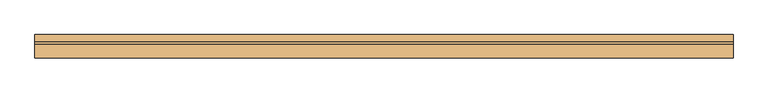
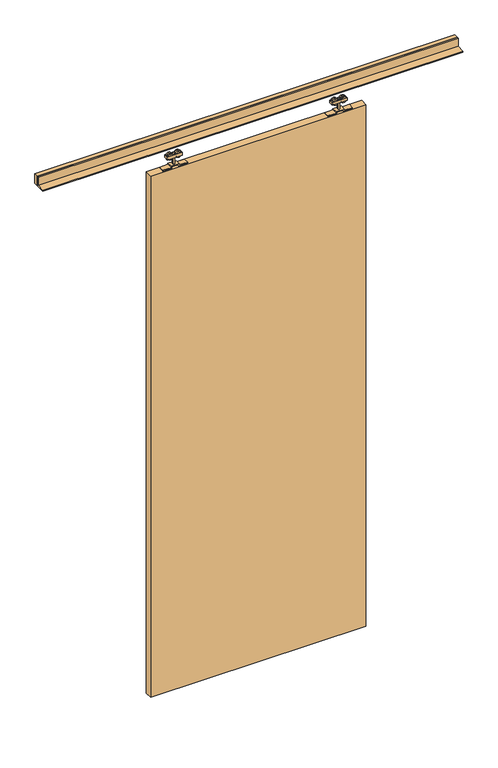
"""IFC4 building model written with IfcOpenShell, lengths in millimetres: door geometry."""

from ifc_helpers import new_model, si_unit, point, frame, frame_2d, origin, place, context, project, spatial, polyline, circle_curve, trimmed, segment, composite_curve, outline, extrude, source, transform, mapped, element, save


def door_dfa522ff(model_context):
    return source(origin(), model_context, "Body", "SweptSolid", [
        extrude(outline(composite_curve([segment(trimmed(circle_curve(frame_2d((2652.430297, -304.25)), 13.5), [point((2652.430297, -317.75))], [point((2652.430297, -290.75))], False, "CARTESIAN"), True, "CONTINUOUS"), segment(trimmed(circle_curve(frame_2d((2652.430297, -304.25)), 13.5), [point((2652.430297, -290.75))], [point((2652.430297, -317.75))], False, "CARTESIAN"), True, "CONTINUOUS")], self_intersect=False)), frame((0.0, -13.9509888, 0.0), z_axis=(0.0, 1.0, 0.0), x_axis=(0.0, 0.0, 1.0)), (0.0, 0.0, 1.0), 5.2084151),
        extrude(outline(composite_curve([segment(trimmed(circle_curve(frame_2d((2652.430297, -266.75)), 13.5), [point((2652.430297, -253.25))], [point((2652.430297, -280.25))], False, "CARTESIAN"), True, "CONTINUOUS"), segment(trimmed(circle_curve(frame_2d((2652.430297, -266.75)), 13.5), [point((2652.430297, -280.25))], [point((2652.430297, -253.25))], False, "CARTESIAN"), True, "CONTINUOUS")], self_intersect=False)), frame((0.0, -13.9509888, 0.0), z_axis=(0.0, 1.0, 0.0), x_axis=(0.0, 0.0, 1.0)), (0.0, 0.0, 1.0), 5.2084151),
        extrude(outline(composite_curve([segment(trimmed(circle_curve(frame_2d((2652.430297, -304.25)), 13.5), [point((2652.430297, -317.75))], [point((2652.430297, -290.75))], False, "CARTESIAN"), True, "CONTINUOUS"), segment(trimmed(circle_curve(frame_2d((2652.430297, -304.25)), 13.5), [point((2652.430297, -290.75))], [point((2652.430297, -317.75))], False, "CARTESIAN"), True, "CONTINUOUS")], self_intersect=False)), frame((0.0, -0.7425737, 0.0), z_axis=(0.0, 1.0, 0.0), x_axis=(0.0, 0.0, 1.0)), (0.0, 0.0, 1.0), 5.0880554),
        extrude(outline(composite_curve([segment(trimmed(circle_curve(frame_2d((2652.430297, -266.75)), 13.5), [point((2652.430297, -253.25))], [point((2652.430297, -280.25))], False, "CARTESIAN"), True, "CONTINUOUS"), segment(trimmed(circle_curve(frame_2d((2652.430297, -266.75)), 13.5), [point((2652.430297, -280.25))], [point((2652.430297, -253.25))], False, "CARTESIAN"), True, "CONTINUOUS")], self_intersect=False)), frame((0.0, -0.7425737, 0.0), z_axis=(0.0, 1.0, 0.0), x_axis=(0.0, 0.0, 1.0)), (0.0, 0.0, 1.0), 5.0880554),
        extrude(outline(polyline([(-320.5, -15.2425737), (-320.5, 5.7574263), (-250.5, 5.7574263), (-250.5, -15.2425737), (-320.5, -15.2425737)])), frame((0.0, 0.0, 2644.5), z_axis=(0.0, 0.0, 1.0), x_axis=(1.0, 0.0, 0.0)), (0.0, 0.0, 1.0), 13.0),
        extrude(outline(polyline([(-289.5, -8.7425737), (-289.5, -0.7425737), (-281.5, -0.7425737), (-281.5, -8.7425737), (-289.5, -8.7425737)])), frame((0.0, 0.0, 2603.0), z_axis=(0.0, 0.0, 1.0), x_axis=(1.0, 0.0, 0.0)), (0.0, 0.0, 1.0), 56.0),
        extrude(outline(polyline([(2603.0, -228.5), (2603.0, -266.5), (2609.0, -266.5), (2609.0, -304.5), (2603.0, -304.5), (2603.0, -342.5), (2599.0, -342.5), (2599.0, -300.5), (2605.0, -300.5), (2605.0, -270.5), (2599.0, -270.5), (2599.0, -228.5), (2603.0, -228.5)])), frame((0.0, -17.7425737, 0.0), z_axis=(0.0, 1.0, 0.0), x_axis=(0.0, 0.0, 1.0)), (0.0, 0.0, 1.0), 26.0),
        extrude(outline(composite_curve([segment(trimmed(circle_curve(frame_2d((2652.430297, 499.25)), 13.5), [point((2652.430297, 512.75))], [point((2652.430297, 485.75))], False, "CARTESIAN"), True, "CONTINUOUS"), segment(trimmed(circle_curve(frame_2d((2652.430297, 499.25)), 13.5), [point((2652.430297, 485.75))], [point((2652.430297, 512.75))], False, "CARTESIAN"), True, "CONTINUOUS")], self_intersect=False)), frame((0.0, -13.9509888, 0.0), z_axis=(0.0, 1.0, 0.0), x_axis=(0.0, 0.0, 1.0)), (0.0, 0.0, 1.0), 5.2084151),
        extrude(outline(composite_curve([segment(trimmed(circle_curve(frame_2d((2652.430297, 461.75)), 13.5), [point((2652.430297, 448.25))], [point((2652.430297, 475.25))], False, "CARTESIAN"), True, "CONTINUOUS"), segment(trimmed(circle_curve(frame_2d((2652.430297, 461.75)), 13.5), [point((2652.430297, 475.25))], [point((2652.430297, 448.25))], False, "CARTESIAN"), True, "CONTINUOUS")], self_intersect=False)), frame((0.0, -13.9509888, 0.0), z_axis=(0.0, 1.0, 0.0), x_axis=(0.0, 0.0, 1.0)), (0.0, 0.0, 1.0), 5.2084151),
        extrude(outline(composite_curve([segment(trimmed(circle_curve(frame_2d((2652.430297, 499.25)), 13.5), [point((2652.430297, 512.75))], [point((2652.430297, 485.75))], False, "CARTESIAN"), True, "CONTINUOUS"), segment(trimmed(circle_curve(frame_2d((2652.430297, 499.25)), 13.5), [point((2652.430297, 485.75))], [point((2652.430297, 512.75))], False, "CARTESIAN"), True, "CONTINUOUS")], self_intersect=False)), frame((0.0, -0.7425737, 0.0), z_axis=(0.0, 1.0, 0.0), x_axis=(0.0, 0.0, 1.0)), (0.0, 0.0, 1.0), 5.0880554),
        extrude(outline(composite_curve([segment(trimmed(circle_curve(frame_2d((2652.430297, 461.75)), 13.5), [point((2652.430297, 448.25))], [point((2652.430297, 475.25))], False, "CARTESIAN"), True, "CONTINUOUS"), segment(trimmed(circle_curve(frame_2d((2652.430297, 461.75)), 13.5), [point((2652.430297, 475.25))], [point((2652.430297, 448.25))], False, "CARTESIAN"), True, "CONTINUOUS")], self_intersect=False)), frame((0.0, -0.7425737, 0.0), z_axis=(0.0, 1.0, 0.0), x_axis=(0.0, 0.0, 1.0)), (0.0, 0.0, 1.0), 5.0880554),
        extrude(outline(polyline([(515.5, -15.2425737), (445.5, -15.2425737), (445.5, 5.7574263), (515.5, 5.7574263), (515.5, -15.2425737)])), frame((0.0, 0.0, 2644.5), z_axis=(0.0, 0.0, 1.0), x_axis=(1.0, 0.0, 0.0)), (0.0, 0.0, 1.0), 13.0),
        extrude(outline(polyline([(484.5, -8.7425737), (476.5, -8.7425737), (476.5, -0.7425737), (484.5, -0.7425737), (484.5, -8.7425737)])), frame((0.0, 0.0, 2603.0), z_axis=(0.0, 0.0, 1.0), x_axis=(1.0, 0.0, 0.0)), (0.0, 0.0, 1.0), 56.0),
        extrude(outline(polyline([(2603.0, 423.5), (2599.0, 423.5), (2599.0, 465.5), (2605.0, 465.5), (2605.0, 495.5), (2599.0, 495.5), (2599.0, 537.5), (2603.0, 537.5), (2603.0, 499.5), (2609.0, 499.5), (2609.0, 461.5), (2603.0, 461.5), (2603.0, 423.5)])), frame((0.0, -17.7425737, 0.0), z_axis=(0.0, 1.0, 0.0), x_axis=(0.0, 0.0, 1.0)), (0.0, 0.0, 1.0), 26.0),
        extrude(outline(polyline([(-402.5, 12.7574263), (597.5, 12.7574263), (597.5, -22.2425737), (-402.5, -22.2425737), (-402.5, 12.7574263)])), frame((0.0, 0.0, 40.0), z_axis=(0.0, 0.0, 1.0), x_axis=(1.0, 0.0, 0.0)), (0.0, 0.0, 1.0), 2559.0),
        extrude(outline(polyline([(16.25, 2745.0), (22.0, 2745.0), (22.0, 2700.0), (-23.0, 2700.0), (-23.0, 2705.0), (16.25, 2705.0), (16.25, 2745.0)])), frame((-902.5, 0.0, 0.0), z_axis=(1.0, 0.0, 0.0), x_axis=(0.0, 1.0, 0.0)), (0.0, 0.0, 1.0), 1950.0),
        extrude(outline(polyline([(1047.5, 42.0), (1047.5, 22.0), (-902.5, 22.0), (-902.5, 42.0), (1047.5, 42.0)])), frame((0.0, 0.0, 2700.0), z_axis=(0.0, 0.0, 1.0), x_axis=(1.0, 0.0, 0.0)), (0.0, 0.0, 1.0), 45.0),
    ])


if __name__ == "__main__":
    model = new_model("IFC4")
    model_context = context("Model", 3, world=origin())
    ifc_project = project(units=[si_unit("LENGTHUNIT", "METRE", prefix="MILLI")], contexts=[model_context])
    site = spatial("IfcSite", under=ifc_project)
    building = spatial("IfcBuilding", under=site)
    placement = place(None, origin())
    door_shape = door_dfa522ff(model_context)
    element("IfcDoor", 1, at=placement, inside=building, context=model_context, shape_type="MappedRepresentation", body=[
        mapped(door_shape, transform((0.0, 0.0, 0.0), x_axis=(1.0, 0.0, 0.0), y_axis=(0.0, 1.0, 0.0), z_axis=(0.0, 0.0, 1.0))),
    ])
    save(model, "model.ifc")
